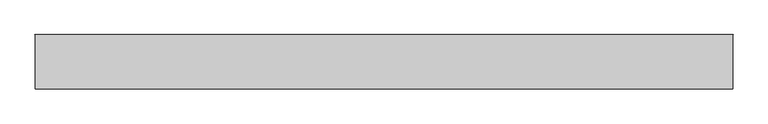
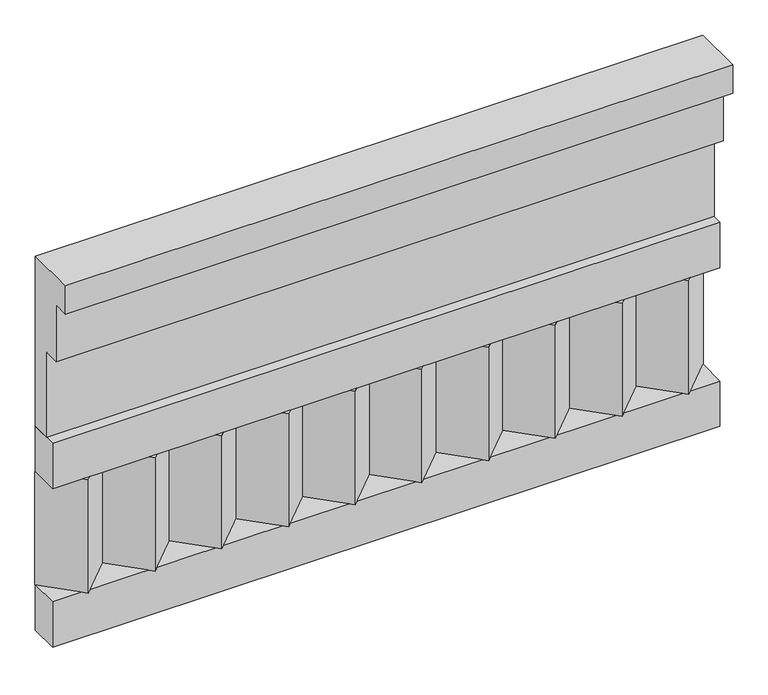
"""IFC4 building model written with IfcOpenShell, lengths in millimetres: railing geometry."""

from ifc_helpers import new_model, si_unit, frame, origin, place, context, project, spatial, polyline, outline, extrude, source, transform, mapped, element, save


def railing_eb44572d(model_context):
    return source(origin(), model_context, "Body", "SweptSolid", [
        extrude(outline(polyline([(-16816.8920513, 21800.0), (-16816.8920513, 21350.0), (-16866.8920513, 21350.0), (-16866.8920513, 21575.0), (-16906.8920513, 21575.0), (-16906.8920513, 21725.0), (-16946.8920513, 21725.0), (-16946.8920513, 21800.0), (-16816.8920513, 21800.0)])), frame((-33139.9887159, 0.0, 0.0), z_axis=(1.0, 0.0, 0.0), x_axis=(0.0, 1.0, 0.0)), (0.0, 0.0, 1.0), 1670.0),
        extrude(outline(polyline([(-33139.9887159, -16891.8920513), (-33139.9887159, -16816.8920513), (-31469.9887159, -16816.8920513), (-31469.9887159, -16891.8920513), (-33139.9887159, -16891.8920513)])), frame((0.0, 0.0, 21230.0), z_axis=(0.0, 0.0, 1.0), x_axis=(1.0, 0.0, 0.0)), (0.0, 0.0, 1.0), 120.0),
        extrude(outline(polyline([(-33139.9887159, -16891.8920513), (-33139.9887159, -16816.8920513), (-31469.9887159, -16816.8920513), (-31469.9887159, -16891.8920513), (-33139.9887159, -16891.8920513)])), frame((0.0, 0.0, 20810.0), z_axis=(0.0, 0.0, 1.0), x_axis=(1.0, 0.0, 0.0)), (0.0, 0.0, 1.0), 120.0),
        extrude(outline(polyline([(-31553.4887159, -16901.7448651), (-31638.3415296, -16816.8920513), (-31468.6359022, -16816.8920513), (-31553.4887159, -16901.7448651)])), frame((0.0, 0.0, 20930.0), z_axis=(0.0, 0.0, 1.0), x_axis=(1.0, 0.0, 0.0)), (0.0, 0.0, 1.0), 300.0),
        extrude(outline(polyline([(-31720.4887159, -16901.7448651), (-31805.3415296, -16816.8920513), (-31635.6359022, -16816.8920513), (-31720.4887159, -16901.7448651)])), frame((0.0, 0.0, 20930.0), z_axis=(0.0, 0.0, 1.0), x_axis=(1.0, 0.0, 0.0)), (0.0, 0.0, 1.0), 300.0),
        extrude(outline(polyline([(-31887.4887159, -16901.7448651), (-31972.3415296, -16816.8920513), (-31802.6359022, -16816.8920513), (-31887.4887159, -16901.7448651)])), frame((0.0, 0.0, 20930.0), z_axis=(0.0, 0.0, 1.0), x_axis=(1.0, 0.0, 0.0)), (0.0, 0.0, 1.0), 300.0),
        extrude(outline(polyline([(-32054.4887159, -16901.7448651), (-32139.3415296, -16816.8920513), (-31969.6359022, -16816.8920513), (-32054.4887159, -16901.7448651)])), frame((0.0, 0.0, 20930.0), z_axis=(0.0, 0.0, 1.0), x_axis=(1.0, 0.0, 0.0)), (0.0, 0.0, 1.0), 300.0),
        extrude(outline(polyline([(-32221.4887159, -16901.7448651), (-32306.3415296, -16816.8920513), (-32136.6359022, -16816.8920513), (-32221.4887159, -16901.7448651)])), frame((0.0, 0.0, 20930.0), z_axis=(0.0, 0.0, 1.0), x_axis=(1.0, 0.0, 0.0)), (0.0, 0.0, 1.0), 300.0),
        extrude(outline(polyline([(-32388.4887159, -16901.7448651), (-32473.3415296, -16816.8920513), (-32303.6359022, -16816.8920513), (-32388.4887159, -16901.7448651)])), frame((0.0, 0.0, 20930.0), z_axis=(0.0, 0.0, 1.0), x_axis=(1.0, 0.0, 0.0)), (0.0, 0.0, 1.0), 300.0),
        extrude(outline(polyline([(-32555.4887159, -16901.7448651), (-32640.3415296, -16816.8920513), (-32470.6359022, -16816.8920513), (-32555.4887159, -16901.7448651)])), frame((0.0, 0.0, 20930.0), z_axis=(0.0, 0.0, 1.0), x_axis=(1.0, 0.0, 0.0)), (0.0, 0.0, 1.0), 300.0),
        extrude(outline(polyline([(-32722.4887159, -16901.7448651), (-32807.3415296, -16816.8920513), (-32637.6359022, -16816.8920513), (-32722.4887159, -16901.7448651)])), frame((0.0, 0.0, 20930.0), z_axis=(0.0, 0.0, 1.0), x_axis=(1.0, 0.0, 0.0)), (0.0, 0.0, 1.0), 300.0),
        extrude(outline(polyline([(-32889.4887159, -16901.7448651), (-32974.3415296, -16816.8920513), (-32804.6359022, -16816.8920513), (-32889.4887159, -16901.7448651)])), frame((0.0, 0.0, 20930.0), z_axis=(0.0, 0.0, 1.0), x_axis=(1.0, 0.0, 0.0)), (0.0, 0.0, 1.0), 300.0),
        extrude(outline(polyline([(-33056.4887159, -16901.7448651), (-33141.3415296, -16816.8920513), (-32971.6359022, -16816.8920513), (-33056.4887159, -16901.7448651)])), frame((0.0, 0.0, 20930.0), z_axis=(0.0, 0.0, 1.0), x_axis=(1.0, 0.0, 0.0)), (0.0, 0.0, 1.0), 300.0),
    ])


if __name__ == "__main__":
    model = new_model("IFC4")
    model_context = context("Model", 3, world=origin())
    ifc_project = project(units=[si_unit("LENGTHUNIT", "METRE", prefix="MILLI")], contexts=[model_context])
    site = spatial("IfcSite", under=ifc_project)
    building = spatial("IfcBuilding", under=site)
    placement = place(None, origin())
    railing_shape = railing_eb44572d(model_context)
    element("IfcRailing", 1, at=placement, inside=building, context=model_context, shape_type="MappedRepresentation", body=[
        mapped(railing_shape, transform((0.0, 0.0, 0.0), x_axis=(1.0, 0.0, 0.0), y_axis=(0.0, 1.0, 0.0), z_axis=(0.0, 0.0, 1.0))),
    ])
    save(model, "model.ifc")
